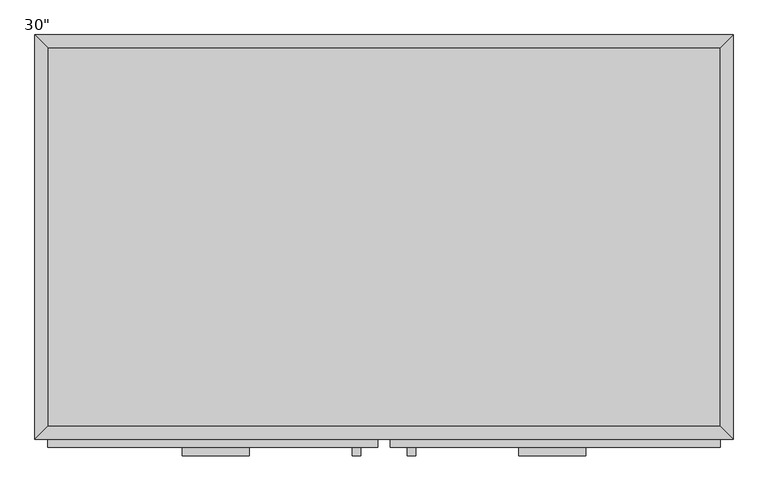
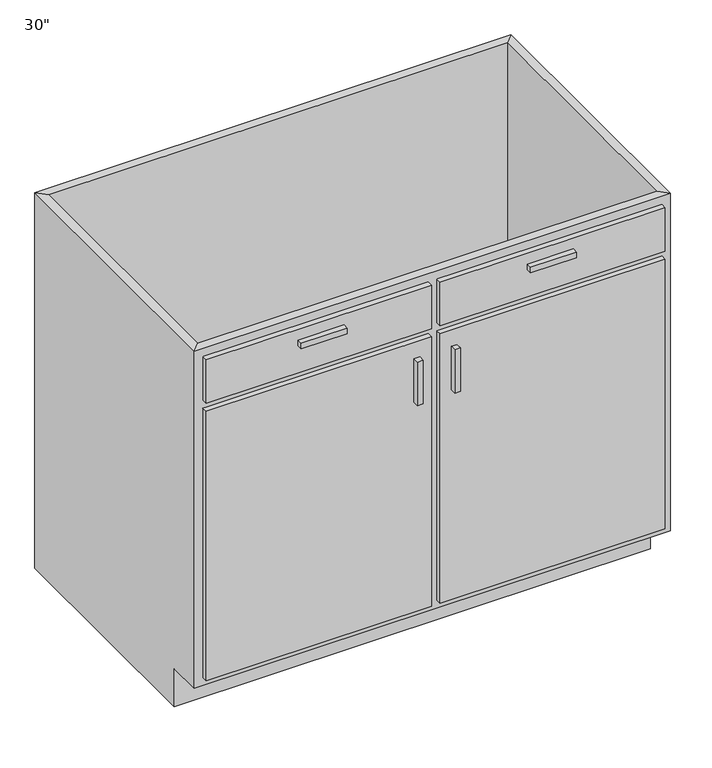
"""IFC4 building model written with IfcOpenShell, lengths in millimetres: furniture geometry."""

from ifc_helpers import new_model, si_unit, frame, origin, place, context, project, spatial, polyline, outline, extrude, faceted_brep, source, transform, mapped, element, save


def furniture_94d45967(model_context):
    return source(origin(), model_context, "Body", "SolidModel", [
        faceted_brep([(525.6321814, -590.55, 876.3), (525.6321814, -590.55, 88.9), (-488.1567716, -590.55, 88.9), (-488.1567716, -590.55, 876.3), (-507.2067716, -609.6, 876.3), (544.6821814, -609.6, 876.3), (-507.2067716, -609.6, 88.9), (544.6821814, -609.6, 88.9), (-488.1567716, -533.4, 88.9), (-488.1567716, -19.05, 88.9), (-488.1567716, -19.05, 876.3), (-507.2067716, 0.0, 876.3), (-507.2067716, 0.0, 0.0), (-507.2067716, -533.4, 0.0), (-507.2067716, -533.4, 88.9), (525.6321814, -19.05, 88.9), (525.6321814, -19.05, 876.3), (544.6821814, 0.0, 876.3), (544.6821814, 0.0, 0.0), (525.6321814, -533.4, 88.9), (544.6821814, -533.4, 88.9), (544.6821814, -533.4, 0.0)], [[[0, 1, 2, 3]], [[0, 3, 4, 5]], [[5, 4, 6, 7]], [[2, 1, 7, 6]], [[3, 2, 8, 9, 10]], [[4, 3, 10, 11]], [[6, 4, 11, 12, 13, 14]], [[2, 6, 14, 8]], [[10, 9, 15, 16]], [[11, 10, 16, 17]], [[12, 11, 17, 18]], [[1, 0, 16, 15, 19]], [[0, 5, 17, 16]], [[5, 7, 20, 21, 18, 17]], [[7, 1, 19, 20]], [[8, 19, 15, 9]], [[18, 21, 13, 12]], [[13, 21, 20, 19, 8, 14]]]),
        extrude(outline(polyline([(-183.9095333, -635.0), (-285.5095333, -635.0), (-285.5095333, -622.3), (-183.9095333, -622.3), (-183.9095333, -635.0)])), frame((0.0, 0.0, 819.15), z_axis=(0.0, 0.0, 1.0), x_axis=(1.0, 0.0, 0.0)), (0.0, 0.0, 1.0), 12.7),
        extrude(outline(polyline([(322.9849432, -635.0), (221.3849432, -635.0), (221.3849432, -622.3), (322.9849432, -622.3), (322.9849432, -635.0)])), frame((0.0, 0.0, 819.15), z_axis=(0.0, 0.0, 1.0), x_axis=(1.0, 0.0, 0.0)), (0.0, 0.0, 1.0), 12.7),
        extrude(outline(polyline([(-16.1872951, -635.0), (-28.8872951, -635.0), (-28.8872951, -622.3), (-16.1872951, -622.3), (-16.1872951, -635.0)])), frame((0.0, 0.0, 596.9), z_axis=(0.0, 0.0, 1.0), x_axis=(1.0, 0.0, 0.0)), (0.0, 0.0, 1.0), 101.6),
        extrude(outline(polyline([(66.3627049, -635.0), (53.6627049, -635.0), (53.6627049, -622.3), (66.3627049, -622.3), (66.3627049, -635.0)])), frame((0.0, 0.0, 596.9), z_axis=(0.0, 0.0, 1.0), x_axis=(1.0, 0.0, 0.0)), (0.0, 0.0, 1.0), 101.6),
        extrude(outline(polyline([(525.6321814, -19.05), (525.6321814, -590.55), (-488.1567716, -590.55), (-488.1567716, -19.05), (525.6321814, -19.05)])), frame((0.0, 0.0, 88.9), z_axis=(0.0, 0.0, 1.0), x_axis=(1.0, 0.0, 0.0)), (0.0, 0.0, 1.0), 19.05),
        extrude(outline(polyline([(9.2127049, -622.3), (-488.1567716, -622.3), (-488.1567716, -609.6), (9.2127049, -609.6), (9.2127049, -622.3)])), frame((0.0, 0.0, 755.65), z_axis=(0.0, 0.0, 1.0), x_axis=(1.0, 0.0, 0.0)), (0.0, 0.0, 1.0), 101.6),
        extrude(outline(polyline([(525.6321814, -622.3), (28.2627049, -622.3), (28.2627049, -609.6), (525.6321814, -609.6), (525.6321814, -622.3)])), frame((0.0, 0.0, 755.65), z_axis=(0.0, 0.0, 1.0), x_axis=(1.0, 0.0, 0.0)), (0.0, 0.0, 1.0), 101.6),
        extrude(outline(polyline([(9.2127049, -622.3), (-488.1567716, -622.3), (-488.1567716, -609.6), (9.2127049, -609.6), (9.2127049, -622.3)])), frame((0.0, 0.0, 107.95), z_axis=(0.0, 0.0, 1.0), x_axis=(1.0, 0.0, 0.0)), (0.0, 0.0, 1.0), 628.65),
        extrude(outline(polyline([(525.6321814, -622.3), (28.2627049, -622.3), (28.2627049, -609.6), (525.6321814, -609.6), (525.6321814, -622.3)])), frame((0.0, 0.0, 107.95), z_axis=(0.0, 0.0, 1.0), x_axis=(1.0, 0.0, 0.0)), (0.0, 0.0, 1.0), 628.65),
    ])


if __name__ == "__main__":
    model = new_model("IFC4")
    model_context = context("Model", 3, world=origin())
    ifc_project = project(units=[si_unit("LENGTHUNIT", "METRE", prefix="MILLI")], contexts=[model_context])
    site = spatial("IfcSite", under=ifc_project)
    building = spatial("IfcBuilding", under=site)
    placement = place(None, origin())
    furniture_shape = furniture_94d45967(model_context)
    element("IfcFurniture", 1, ObjectType="30\"", at=placement, inside=building, context=model_context, shape_type="MappedRepresentation", body=[
        mapped(furniture_shape, transform((0.0, 0.0, 0.0), x_axis=(1.0, 0.0, 0.0), y_axis=(0.0, 1.0, 0.0), z_axis=(0.0, 0.0, 1.0))),
    ])
    save(model, "model.ifc")
